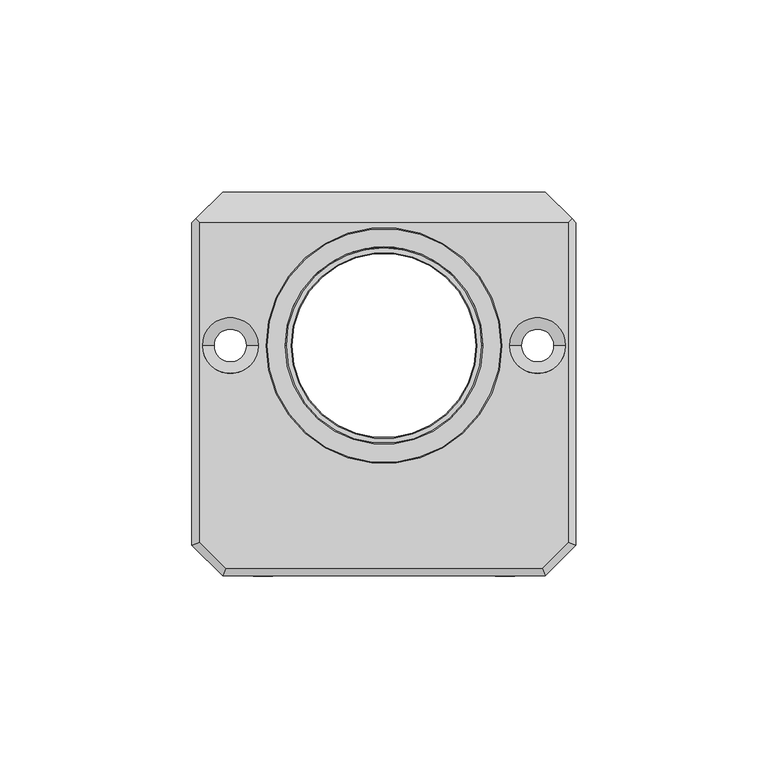
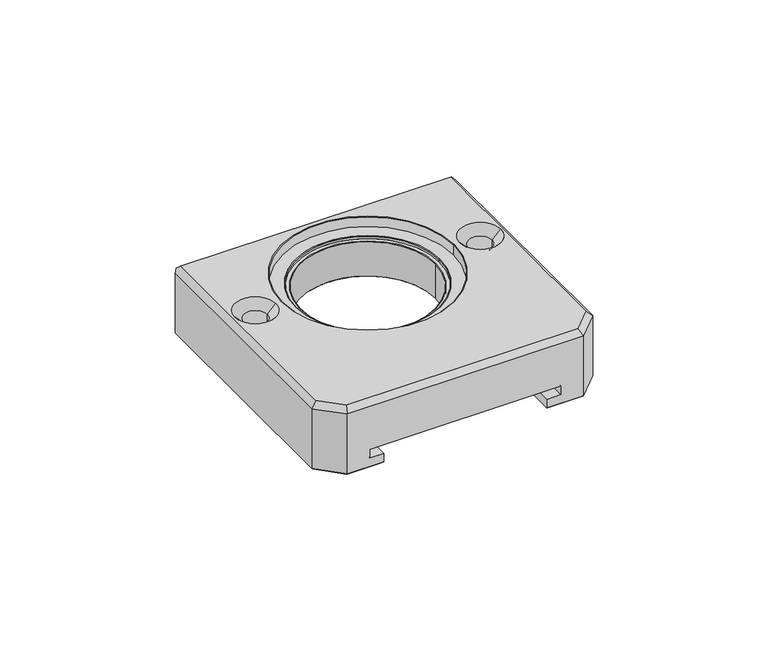
"""IFC4 building model written with IfcOpenShell, lengths in millimetres: proxy geometry."""

from ifc_helpers import new_model, si_unit, frame, origin, place, context, project, spatial, polyline, circle_curve, source, transform, mapped, element, save
from ifc_brep_helpers import plane_surface, cylinder_surface, revolved_surface, advanced_brep


def generic_models_6eb455ab(model_context):
    return source(origin(), model_context, "Body", "AdvancedBrep", [
        advanced_brep(
        [(28.7, 0.0, 10.2), (28.7, 0.0, 7.2), (-28.7, 0.0, 7.2), (-28.7, 0.0, 10.2), (28.9, 0.0, 7.0), (-28.9, 0.0, 7.0), (25.5, 0.0, 7.2), (25.5, 0.0, 10.2), (-25.5, 0.0, 10.2), (-25.5, 0.0, 7.2), (25.3, 0.0, 7.0), (-25.3, 0.0, 7.0), (-24.2, 0.0, 7.0), (-24.0, 0.0, 7.2), (24.0, 0.0, 7.2), (24.2, 0.0, 7.0), (-24.0, 0.0, 20.0), (24.0, 0.0, 20.0), (-24.2, 0.0, 20.2), (24.2, 0.0, 20.2), (-25.5, 0.0, 20.2), (-25.5, 0.0, 21.0), (25.5, 0.0, 21.0), (25.5, 0.0, 20.2), (-25.7, 0.0, 21.2), (25.7, 0.0, 21.2), (-30.5, 0.0, 21.2), (-30.5, 0.0, 24.8), (30.5, 0.0, 24.8), (30.5, 0.0, 21.2), (-30.7, 0.0, 25.0), (30.7, 0.0, 25.0), (35.75, 0.0, 1.0), (34.75, 0.0, 0.0), (45.25, 0.0, 0.0), (44.25, 0.0, 1.0), (-44.25, 0.0, 1.0), (-45.25, 0.0, 0.0), (-34.75, 0.0, 0.0), (-35.75, 0.0, 1.0), (35.75, 0.0, 22.0), (44.25, 0.0, 22.0), (32.75, 0.0, 25.0), (47.25, 0.0, 25.0), (-44.25, 0.0, 22.0), (-35.75, 0.0, 22.0), (-47.25, 0.0, 25.0), (-32.75, 0.0, 25.0), (48.0, -51.1715729, 25.0), (48.0, 32.0, 25.0), (-48.0, 32.0, 25.0), (-48.0, -51.1715729, 25.0), (-41.1715729, -58.0, 25.0), (41.1715729, -58.0, 25.0), (-49.5, -51.7928932, 0.0), (-49.5, 31.7928932, 0.0), (-41.7928932, 39.5, 0.0), (-29.5, 39.5, 0.0), (-29.5, -59.5, 0.0), (-41.7928932, -59.5, 0.0), (29.5, 39.5, 0.0), (41.7928932, 39.5, 0.0), (49.5, 31.7928932, 0.0), (49.5, -51.7928932, 0.0), (41.7928932, -59.5, 0.0), (29.5, -59.5, 0.0), (50.0, 32.0, 0.5), (50.0, -52.0, 0.5), (42.0, -60.0, 0.5), (29.0, 40.0, 0.5), (42.0, 40.0, 0.5), (29.0, -60.0, 0.5), (50.0, 32.0, 23.0), (50.0, -52.0, 23.0), (42.0, 40.0, 17.0), (49.0, 33.0, 24.0), (29.0, 40.0, 3.75), (34.0, 40.0, 3.75), (34.0, 40.0, 7.0), (-34.0, 40.0, 7.0), (-34.0, 40.0, 3.75), (-29.0, 40.0, 3.75), (-29.0, 40.0, 0.5), (-42.0, 40.0, 0.5), (-42.0, 40.0, 17.0), (-50.0, -52.0, 0.5), (-50.0, 32.0, 0.5), (-29.0, -60.0, 0.5), (-42.0, -60.0, 0.5), (-50.0, 32.0, 23.0), (-49.0, 33.0, 24.0), (-50.0, -52.0, 23.0), (34.0, -60.0, 7.0), (-34.0, -60.0, 7.0), (-34.0, -60.0, 3.75), (-29.0, -60.0, 3.75), (29.0, -60.0, 3.75), (34.0, -60.0, 3.75), (42.0, -60.0, 23.0), (-42.0, -60.0, 23.0)],
        [
            (0, 1),
            (1, 2, circle_curve(frame((0.0, 0.0, 7.2), z_axis=(0.0, 0.0, -1.0), x_axis=(1.0, 0.0, 0.0)), 28.7)),
            (2, 3),
            (3, 0, circle_curve(frame((0.0, 0.0, 10.2), z_axis=(0.0, 0.0, 1.0), x_axis=(1.0, 0.0, 0.0)), 28.7)),
            (1, 4),
            (4, 5, circle_curve(frame((0.0, 0.0, 7.0), z_axis=(0.0, 0.0, -1.0), x_axis=(1.0, 0.0, 0.0)), 28.9)),
            (5, 2),
            (6, 7),
            (7, 8, circle_curve(frame((0.0, 0.0, 10.2), z_axis=(0.0, 0.0, -1.0), x_axis=(1.0, 0.0, 0.0)), 25.5)),
            (8, 9),
            (9, 6, circle_curve(frame((0.0, 0.0, 7.2), z_axis=(0.0, 0.0, 1.0), x_axis=(1.0, 0.0, 0.0)), 25.5)),
            (6, 10),
            (10, 11, circle_curve(frame((0.0, 0.0, 7.0), z_axis=(0.0, 0.0, 1.0), x_axis=(-1.0, 0.0, 0.0)), 25.3)),
            (11, 9),
            (9, 6, circle_curve(frame((0.0, 0.0, 7.2), z_axis=(0.0, 0.0, -1.0), x_axis=(-1.0, 0.0, 0.0)), 25.5)),
            (12, 13),
            (13, 14, circle_curve(frame((0.0, 0.0, 7.2), z_axis=(0.0, 0.0, 1.0), x_axis=(-1.0, 0.0, 0.0)), 24.0)),
            (14, 15),
            (15, 12, circle_curve(frame((0.0, 0.0, 7.0), z_axis=(0.0, 0.0, -1.0), x_axis=(-1.0, 0.0, 0.0)), 24.2)),
            (16, 13),
            (13, 14, circle_curve(frame((0.0, 0.0, 7.2), z_axis=(0.0, 0.0, -1.0), x_axis=(-1.0, 0.0, 0.0)), 24.0)),
            (14, 17),
            (17, 16, circle_curve(frame((0.0, 0.0, 20.0), z_axis=(0.0, 0.0, 1.0), x_axis=(-1.0, 0.0, 0.0)), 24.0)),
            (18, 16),
            (17, 19),
            (19, 18, circle_curve(frame((0.0, 0.0, 20.2), z_axis=(0.0, 0.0, 1.0), x_axis=(-1.0, 0.0, 0.0)), 24.2)),
            (20, 21),
            (21, 22, circle_curve(frame((0.0, 0.0, 21.0), z_axis=(0.0, 0.0, 1.0), x_axis=(-1.0, 0.0, 0.0)), 25.5)),
            (22, 23),
            (23, 20, circle_curve(frame((0.0, 0.0, 20.2), z_axis=(0.0, 0.0, -1.0), x_axis=(-1.0, 0.0, 0.0)), 25.5)),
            (21, 24),
            (24, 25, circle_curve(frame((0.0, 0.0, 21.2), z_axis=(0.0, 0.0, 1.0), x_axis=(-1.0, 0.0, 0.0)), 25.7)),
            (25, 22),
            (26, 27),
            (27, 28, circle_curve(frame((0.0, 0.0, 24.8), z_axis=(0.0, 0.0, 1.0), x_axis=(-1.0, 0.0, 0.0)), 30.5)),
            (28, 29),
            (29, 26, circle_curve(frame((0.0, 0.0, 21.2), z_axis=(0.0, 0.0, -1.0), x_axis=(-1.0, 0.0, 0.0)), 30.5)),
            (27, 30),
            (30, 31, circle_curve(frame((0.0, 0.0, 25.0), z_axis=(0.0, 0.0, 1.0), x_axis=(-1.0, 0.0, 0.0)), 30.7)),
            (31, 28),
            (32, 33),
            (33, 34, circle_curve(frame((40.0, 0.0, 0.0), z_axis=(0.0, 0.0, -1.0), x_axis=(-1.0, 0.0, 0.0)), 5.25)),
            (34, 35),
            (35, 32, circle_curve(frame((40.0, 0.0, 1.0), z_axis=(0.0, 0.0, 1.0), x_axis=(-1.0, 0.0, 0.0)), 4.25)),
            (36, 37),
            (37, 38, circle_curve(frame((-40.0, 0.0, 0.0), z_axis=(0.0, 0.0, -1.0), x_axis=(-1.0, 0.0, 0.0)), 5.25)),
            (38, 39),
            (39, 36, circle_curve(frame((-40.0, 0.0, 1.0), z_axis=(0.0, 0.0, 1.0), x_axis=(-1.0, 0.0, 0.0)), 4.25)),
            (32, 40),
            (40, 41, circle_curve(frame((40.0, 0.0, 22.0), z_axis=(0.0, 0.0, 1.0), x_axis=(-1.0, 0.0, 0.0)), 4.25)),
            (41, 35),
            (35, 32, circle_curve(frame((40.0, 0.0, 1.0), z_axis=(0.0, 0.0, -1.0), x_axis=(-1.0, 0.0, 0.0)), 4.25)),
            (40, 42),
            (42, 43, circle_curve(frame((40.0, 0.0, 25.0), z_axis=(0.0, 0.0, 1.0), x_axis=(-1.0, 0.0, 0.0)), 7.25)),
            (43, 41),
            (36, 44),
            (44, 45, circle_curve(frame((-40.0, 0.0, 22.0), z_axis=(0.0, 0.0, 1.0), x_axis=(-1.0, 0.0, 0.0)), 4.25)),
            (45, 39),
            (39, 36, circle_curve(frame((-40.0, 0.0, 1.0), z_axis=(0.0, 0.0, -1.0), x_axis=(-1.0, 0.0, 0.0)), 4.25)),
            (44, 46),
            (46, 47, circle_curve(frame((-40.0, 0.0, 25.0), z_axis=(0.0, 0.0, 1.0), x_axis=(-1.0, 0.0, 0.0)), 7.25)),
            (47, 45),
            (44, 45, circle_curve(frame((-40.0, 0.0, 22.0), z_axis=(0.0, 0.0, -1.0), x_axis=(1.0, 0.0, 0.0)), 4.25)),
            (47, 46, circle_curve(frame((-40.0, 0.0, 25.0), z_axis=(0.0, 0.0, 1.0), x_axis=(1.0, 0.0, 0.0)), 7.25)),
            (48, 49),
            (49, 50),
            (50, 51),
            (51, 52),
            (52, 53),
            (53, 48),
            (42, 43, circle_curve(frame((40.0, 0.0, 25.0), z_axis=(0.0, 0.0, -1.0), x_axis=(1.0, 0.0, 0.0)), 7.25)),
            (30, 31, circle_curve(frame((0.0, 0.0, 25.0), z_axis=(0.0, 0.0, -1.0), x_axis=(1.0, 0.0, 0.0)), 30.7)),
            (40, 41, circle_curve(frame((40.0, 0.0, 22.0), z_axis=(0.0, 0.0, -1.0), x_axis=(1.0, 0.0, 0.0)), 4.25)),
            (38, 37, circle_curve(frame((-40.0, 0.0, 0.0), z_axis=(0.0, 0.0, -1.0), x_axis=(1.0, 0.0, 0.0)), 5.25)),
            (54, 55),
            (55, 56),
            (56, 57),
            (57, 58),
            (58, 59),
            (59, 54),
            (34, 33, circle_curve(frame((40.0, 0.0, 0.0), z_axis=(0.0, 0.0, -1.0), x_axis=(1.0, 0.0, 0.0)), 5.25)),
            (60, 61),
            (61, 62),
            (62, 63),
            (63, 64),
            (64, 65),
            (65, 60),
            (62, 66),
            (66, 67),
            (67, 63),
            (67, 68),
            (68, 64),
            (69, 70),
            (70, 61),
            (60, 69),
            (68, 71),
            (71, 65),
            (71, 69),
            (70, 66),
            (66, 72),
            (72, 73),
            (73, 67),
            (70, 74),
            (74, 75),
            (75, 72),
            (69, 76),
            (76, 77),
            (77, 78),
            (78, 79),
            (79, 80),
            (80, 81),
            (81, 82),
            (82, 83),
            (83, 84),
            (84, 74),
            (54, 85),
            (85, 86),
            (86, 55),
            (86, 83),
            (83, 56),
            (82, 57),
            (82, 87),
            (87, 58),
            (87, 88),
            (88, 59),
            (88, 85),
            (86, 89),
            (89, 90),
            (90, 84),
            (85, 91),
            (91, 89),
            (27, 28, circle_curve(frame((0.0, 0.0, 24.8), z_axis=(0.0, 0.0, -1.0), x_axis=(1.0, 0.0, 0.0)), 30.5)),
            (26, 29, circle_curve(frame((0.0, 0.0, 21.2), z_axis=(0.0, 0.0, -1.0), x_axis=(-1.0, 0.0, 0.0)), 30.5)),
            (21, 22, circle_curve(frame((0.0, 0.0, 21.0), z_axis=(0.0, 0.0, -1.0), x_axis=(1.0, 0.0, 0.0)), 25.5)),
            (25, 24, circle_curve(frame((0.0, 0.0, 21.2), z_axis=(0.0, 0.0, 1.0), x_axis=(1.0, 0.0, 0.0)), 25.7)),
            (20, 23, circle_curve(frame((0.0, 0.0, 20.2), z_axis=(0.0, 0.0, -1.0), x_axis=(-1.0, 0.0, 0.0)), 25.5)),
            (18, 19, circle_curve(frame((0.0, 0.0, 20.2), z_axis=(0.0, 0.0, 1.0), x_axis=(1.0, 0.0, 0.0)), 24.2)),
            (17, 16, circle_curve(frame((0.0, 0.0, 20.0), z_axis=(0.0, 0.0, -1.0), x_axis=(1.0, 0.0, 0.0)), 24.0)),
            (12, 15, circle_curve(frame((0.0, 0.0, 7.0), z_axis=(0.0, 0.0, -1.0), x_axis=(1.0, 0.0, 0.0)), 24.2)),
            (10, 11, circle_curve(frame((0.0, 0.0, 7.0), z_axis=(0.0, 0.0, -1.0), x_axis=(1.0, 0.0, 0.0)), 25.3)),
            (8, 7, circle_curve(frame((0.0, 0.0, 10.2), z_axis=(0.0, 0.0, -1.0), x_axis=(1.0, 0.0, 0.0)), 25.5)),
            (1, 2, circle_curve(frame((0.0, 0.0, 7.2), z_axis=(0.0, 0.0, 1.0), x_axis=(-1.0, 0.0, 0.0)), 28.7)),
            (5, 4, circle_curve(frame((0.0, 0.0, 7.0), z_axis=(0.0, 0.0, -1.0), x_axis=(-1.0, 0.0, 0.0)), 28.9)),
            (0, 3, circle_curve(frame((0.0, 0.0, 10.2), z_axis=(0.0, 0.0, 1.0), x_axis=(1.0, 0.0, 0.0)), 28.7)),
            (92, 93),
            (93, 79),
            (78, 92),
            (94, 95),
            (95, 81),
            (80, 94),
            (93, 94),
            (71, 96),
            (96, 76),
            (97, 92),
            (77, 97),
            (96, 97),
            (95, 87),
            (68, 98),
            (98, 99),
            (99, 88),
            (75, 49),
            (48, 73),
            (91, 51),
            (50, 90),
            (91, 99),
            (99, 52),
            (98, 53),
            (98, 73),
        ],
        [
            revolved_surface(polyline([(28.7, 0.0, 10.2), (28.7, 0.0, 7.2)]), (0.0, 0.0, 7.0), (0.0, 0.0, 1.0)),
            revolved_surface(polyline([(28.9, 0.0, 7.0), (28.7, 0.0, 7.199999999999999)]), (0.0, 0.0, 35.9), (0.0, 0.0, -1.0)),
            cylinder_surface(frame((0.0, 0.0, 7.0), z_axis=(0.0, 0.0, 1.0), x_axis=(1.0, 0.0, 0.0)), 25.5),
            revolved_surface(polyline([(25.3, 0.0, 7.0), (25.5, 0.0, 7.199999999999999)]), (0.0, 0.0, -18.3), (0.0, 0.0, 1.0)),
            revolved_surface(polyline([(-24.2, 0.0, 7.0), (-24.0, 0.0, 7.199999999999999)]), (0.0, 0.0, 31.2), (0.0, 0.0, -1.0)),
            revolved_surface(polyline([(-24.0, 0.0, 20.0), (-24.0, 0.0, 7.2)]), (0.0, 0.0, 0.0), (0.0, 0.0, 1.0)),
            revolved_surface(polyline([(-24.2, 0.0, 20.2), (-24.0, 0.0, 20.0)]), (0.0, 0.0, -4.0), (0.0, 0.0, 1.0)),
            revolved_surface(polyline([(-25.5, 0.0, 20.2), (-25.5, 0.0, 21.0)]), (0.0, 0.0, 21.2), (0.0, 0.0, -1.0)),
            revolved_surface(polyline([(-25.7, 0.0, 21.2), (-25.5, 0.0, 21.0)]), (0.0, 0.0, -4.5), (0.0, 0.0, 1.0)),
            revolved_surface(polyline([(-30.5, 0.0, 21.2), (-30.5, 0.0, 24.8)]), (0.0, 0.0, 25.0), (0.0, 0.0, -1.0)),
            revolved_surface(polyline([(-30.7, 0.0, 25.0), (-30.5, 0.0, 24.8)]), (0.0, 0.0, -5.7), (0.0, 0.0, 1.0)),
            revolved_surface(polyline([(34.75, 0.0, 0.0), (35.75, 0.0, 1.0)]), (40.0, 0.0, 5.25), (0.0, 0.0, -1.0)),
            revolved_surface(polyline([(-45.25, 0.0, 0.0), (-44.25, 0.0, 1.0)]), (-40.0, 0.0, 5.25), (0.0, 0.0, -1.0)),
            revolved_surface(polyline([(35.75, 0.0, 1.0), (35.75, 0.0, 22.0)]), (40.0, 0.0, 25.0), (0.0, 0.0, -1.0)),
            revolved_surface(polyline([(32.75, 0.0, 25.0), (35.75, 0.0, 22.0)]), (40.0, 0.0, 17.75), (0.0, 0.0, 1.0)),
            revolved_surface(polyline([(-44.25, 0.0, 1.0), (-44.25, 0.0, 22.0)]), (-40.0, 0.0, 25.0), (0.0, 0.0, -1.0)),
            revolved_surface(polyline([(-47.25, 0.0, 25.0), (-44.25, 0.0, 22.0)]), (-40.0, 0.0, 17.75), (0.0, 0.0, 1.0)),
            plane_surface(frame((0.0, -10.0, 25.0), z_axis=(0.0, 0.0, 1.0), x_axis=(1.0, 0.0, 0.0))),
            plane_surface(frame((0.0, -10.0, 0.0), z_axis=(0.0, 0.0, -1.0), x_axis=(1.0, 0.0, 0.0))),
            plane_surface(frame((49.75, 15.0, 0.25), z_axis=(0.7071067811865488, 0.0, -0.7071067811865462), x_axis=(-0.7071067811865462, 0.0, -0.7071067811865488))),
            plane_surface(frame((45.8232233, -55.8232233, 0.25), z_axis=(0.5000000000000003, -0.5000000000000009, -0.7071067811865469), x_axis=(-0.8164965809277257, 0.0, -0.5773502691896264))),
            plane_surface(frame((-25.0, 39.75, 0.25), z_axis=(0.0, 0.7071067811865488, -0.7071067811865462), x_axis=(-1.0, 0.0, 0.0))),
            plane_surface(frame((25.0, -59.75, 0.25), z_axis=(0.0, -0.7071067811865488, -0.7071067811865462), x_axis=(-1.0, 0.0, 0.0))),
            plane_surface(frame((29.25, -5.0, 0.25), z_axis=(-0.7071067811865491, 0.0, -0.707106781186546), x_axis=(-0.707106781186546, 0.0, 0.7071067811865491))),
            plane_surface(frame((45.8232233, 35.8232233, 0.25), z_axis=(0.5000000000000113, 0.5000000000000118, -0.7071067811865314), x_axis=(-0.8164965809277137, 0.0, -0.5773502691896433))),
            plane_surface(frame((50.0, 40.0, 0.0), z_axis=(1.0, 0.0, 0.0), x_axis=(0.0, 0.0, -1.0))),
            plane_surface(frame((46.0, 36.0, 0.0), z_axis=(0.7071067811865472, 0.707106781186548, 0.0), x_axis=(0.0, 0.0, -1.0))),
            plane_surface(frame((-50.0, 40.0, 0.0), z_axis=(0.0, 1.0, 0.0), x_axis=(0.0, 0.0, 1.0))),
            plane_surface(frame((-49.75, -35.0, 0.25), z_axis=(-0.7071067811865488, 0.0, -0.7071067811865462), x_axis=(-0.7071067811865462, 0.0, 0.7071067811865488))),
            plane_surface(frame((-45.8232233, 35.8232233, 0.25), z_axis=(-0.5000000000000067, 0.500000000000007, -0.7071067811865379), x_axis=(-0.8164965809277187, 0.0, 0.5773502691896361))),
            plane_surface(frame((-29.25, -5.0, 0.25), z_axis=(0.7071067811865487, 0.0, -0.7071067811865465), x_axis=(-0.7071067811865465, 0.0, -0.7071067811865487))),
            plane_surface(frame((-45.8232233, -55.8232233, 0.25), z_axis=(-0.5000000000000098, -0.5000000000000104, -0.7071067811865336), x_axis=(-0.8164965809277154, 0.0, 0.5773502691896409))),
            plane_surface(frame((-46.0, 36.0, 0.0), z_axis=(-0.7071067811865474, 0.7071067811865478, 0.0), x_axis=(0.0, 0.0, 1.0))),
            plane_surface(frame((-50.0, -60.0, 0.0), z_axis=(-1.0, 0.0, 0.0), x_axis=(0.0, 0.0, 1.0))),
            plane_surface(frame((0.0, 0.0, 21.2), z_axis=(0.0, 0.0, 1.0), x_axis=(-1.0, 0.0, 0.0))),
            plane_surface(frame((0.0, 0.0, 20.2), z_axis=(0.0, 0.0, 1.0), x_axis=(-1.0, 0.0, 0.0))),
            plane_surface(frame((34.0, 0.0, 7.0), z_axis=(0.0, 0.0, -1.0), x_axis=(1.0, 0.0, 0.0))),
            plane_surface(frame((0.0, 0.0, 10.2), z_axis=(0.0, 0.0, -1.0), x_axis=(1.0, 0.0, 0.0))),
            plane_surface(frame((-34.0, 0.0, 3.75), z_axis=(0.0, 0.0, 1.0), x_axis=(-1.0, 0.0, 0.0))),
            plane_surface(frame((-34.0, 0.0, 7.0), z_axis=(1.0, 0.0, 0.0), x_axis=(0.0, 0.0, 1.0))),
            plane_surface(frame((29.0, 0.0, -6.25), z_axis=(-1.0, 0.0, 0.0), x_axis=(0.0, 0.0, -1.0))),
            plane_surface(frame((34.0, 0.0, 3.75), z_axis=(-1.0, 0.0, 0.0), x_axis=(0.0, 0.0, -1.0))),
            plane_surface(frame((29.0, 0.0, 3.75), z_axis=(0.0, 0.0, 1.0), x_axis=(-1.0, 0.0, 0.0))),
            plane_surface(frame((-29.0, 0.0, 3.75), z_axis=(1.0, 0.0, 0.0), x_axis=(0.0, 0.0, 1.0))),
            plane_surface(frame((50.0, -60.0, 0.0), z_axis=(0.0, -1.0, 0.0), x_axis=(0.0, 0.0, -1.0))),
            plane_surface(frame((49.0, 15.0, 24.0), z_axis=(0.7071067811865476, 0.0, 0.7071067811865476), x_axis=(0.7071067811865476, 0.0, -0.7071067811865476))),
            plane_surface(frame((-49.0, -35.0, 24.0), z_axis=(-0.7071067811865476, 0.0, 0.7071067811865476), x_axis=(0.7071067811865476, 0.0, 0.7071067811865476))),
            plane_surface(frame((-45.2928932, -55.2928932, 24.0), z_axis=(-0.5000000000000021, -0.5000000000000026, 0.7071067811865442), x_axis=(0.8164965809277237, 0.0, 0.5773502691896292))),
            plane_surface(frame((25.0, -59.0, 24.0), z_axis=(0.0, -0.7071067811865476, 0.7071067811865476), x_axis=(1.0, 0.0, 0.0))),
            plane_surface(frame((45.2928932, -55.2928932, 24.0), z_axis=(0.5000000000000004, -0.500000000000001, 0.7071067811865465), x_axis=(0.8164965809277254, 0.0, -0.5773502691896267))),
            plane_surface(frame((46.0, -56.0, 0.0), z_axis=(0.7071067811865471, -0.7071067811865479, 0.0), x_axis=(0.0, 0.0, -1.0))),
            plane_surface(frame((-46.0, -56.0, 0.0), z_axis=(-0.7071067811865472, -0.707106781186548, 0.0), x_axis=(0.0, 0.0, 1.0))),
            plane_surface(frame((-25.0, 36.0, 21.0), z_axis=(0.0, 0.7071067811865477, 0.7071067811865475), x_axis=(1.0, 0.0, 0.0))),
        ],
        [
            (0, [[1, 2, 3, 4]]),
            (1, [[5, 6, 7, -2]]),
            (2, [[8, 9, 10, 11]]),
            (3, [[12, 13, 14, 15]]),
            (4, [[16, 17, 18, 19]]),
            (5, [[20, 21, 22, 23]]),
            (6, [[24, -23, 25, 26]]),
            (7, [[27, 28, 29, 30]]),
            (8, [[31, 32, 33, -28]]),
            (9, [[34, 35, 36, 37]]),
            (10, [[38, 39, 40, -35]]),
            (11, [[41, 42, 43, 44]]),
            (12, [[45, 46, 47, 48]]),
            (13, [[49, 50, 51, 52]]),
            (14, [[53, 54, 55, -50]]),
            (15, [[56, 57, 58, 59]]),
            (16, [[60, 61, 62, -57]]),
            (16, [[-60, 63, -62, 64]]),
            (17, [[65, 66, 67, 68, 69, 70], [-64, -61], [71, -54], [72, -39]]),
            (15, [[-56, -48, -58, -63]]),
            (14, [[-53, 73, -55, -71]]),
            (13, [[-49, -44, -51, -73]]),
            (12, [[-45, -59, -47, 74]]),
            (18, [[75, 76, 77, 78, 79, 80], [-74, -46]]),
            (11, [[-41, -52, -43, 81]]),
            (18, [[82, 83, 84, 85, 86, 87], [-81, -42]]),
            (19, [[-84, 88, 89, 90]]),
            (20, [[-85, -90, 91, 92]]),
            (21, [[93, 94, -82, 95]]),
            (22, [[-86, -92, 96, 97]]),
            (23, [[98, -95, -87, -97]]),
            (24, [[-83, -94, 99, -88]]),
            (25, [[-89, 100, 101, 102]]),
            (26, [[-99, 103, 104, 105, -100]]),
            (27, [[-93, 106, 107, 108, 109, 110, 111, 112, 113, 114, 115, -103]]),
            (28, [[-75, 116, 117, 118]]),
            (29, [[-76, -118, 119, 120]]),
            (21, [[-77, -120, -113, 121]]),
            (30, [[122, 123, -78, -121]]),
            (22, [[124, 125, -79, -123]]),
            (31, [[-80, -125, 126, -116]]),
            (32, [[-119, 127, 128, 129, -114]]),
            (33, [[-117, 130, 131, -127]]),
            (10, [[-38, 132, -40, -72]]),
            (9, [[-34, 133, -36, -132]]),
            (8, [[-31, 134, -33, 135]]),
            (7, [[-27, 136, -29, -134]]),
            (34, [[-133, -37], [-135, -32]]),
            (6, [[-24, 137, -25, 138]]),
            (5, [[-20, -138, -22, -17]]),
            (35, [[-136, -30], [-26, -137]]),
            (4, [[-16, 139, -18, -21]]),
            (36, [[140, -13], [-19, -139]]),
            (3, [[-12, -11, -14, -140]]),
            (2, [[-8, -15, -10, 141]]),
            (1, [[-5, 142, -7, 143]]),
            (0, [[-1, 144, -3, -142]]),
            (36, [[145, 146, -109, 147], [-143, -6]]),
            (37, [[-144, -4], [-141, -9]]),
            (38, [[148, 149, -111, 150]]),
            (39, [[151, -150, -110, -146]]),
            (40, [[-98, 152, 153, -106]]),
            (41, [[154, -147, -108, 155]]),
            (42, [[156, -155, -107, -153]]),
            (43, [[-122, -112, -149, 157]]),
            (44, [[-96, 158, 159, 160, -124, -157, -148, -151, -145, -154, -156, -152]]),
            (45, [[161, -65, 162, -101, -105]]),
            (46, [[-128, -131, 163, -67, 164]]),
            (47, [[-68, -163, 165, 166]]),
            (48, [[-69, -166, -159, 167]]),
            (49, [[-70, -167, 168, -162]]),
            (50, [[-91, -102, -168, -158]]),
            (51, [[-126, -160, -165, -130]]),
            (52, [[-161, -104, -115, -129, -164, -66]]),
        ],
    ),
    ])


if __name__ == "__main__":
    model = new_model("IFC4")
    model_context = context("Model", 3, world=origin())
    ifc_project = project(units=[si_unit("LENGTHUNIT", "METRE", prefix="MILLI")], contexts=[model_context])
    site = spatial("IfcSite", under=ifc_project)
    building = spatial("IfcBuilding", under=site)
    placement = place(None, origin())
    generic_models_shape = generic_models_6eb455ab(model_context)
    element("IfcBuildingElementProxy", 1, Name="Generic Models", at=placement, inside=building, context=model_context, shape_type="MappedRepresentation", body=[
        mapped(generic_models_shape, transform((0.0, 0.0, 0.0), x_axis=(1.0, 0.0, 0.0), y_axis=(0.0, 1.0, 0.0), z_axis=(0.0, 0.0, 1.0))),
    ])
    save(model, "model.ifc")
